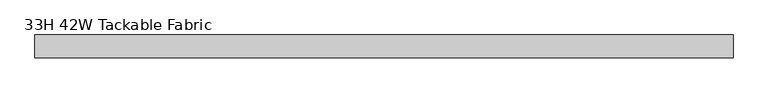
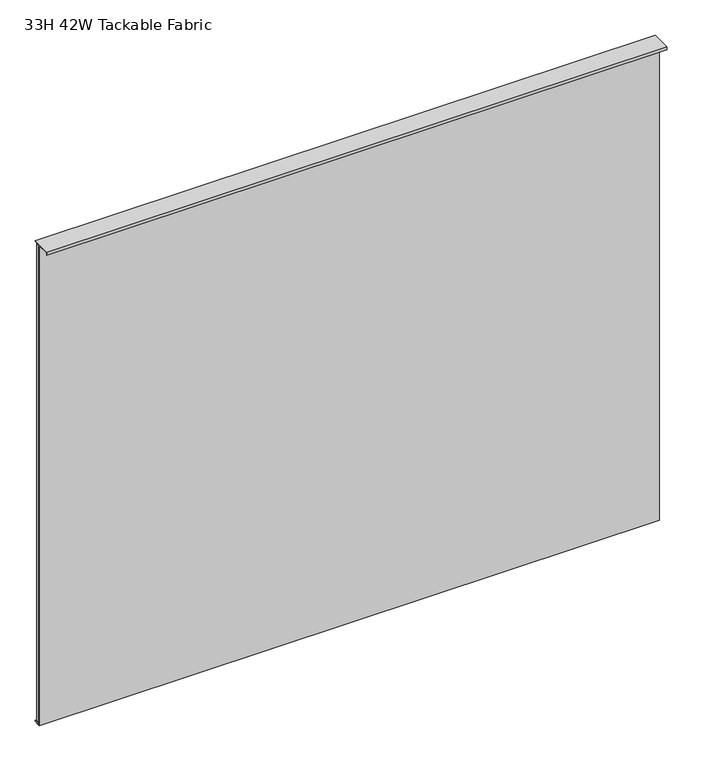
"""IFC4 building model written with IfcOpenShell, lengths in millimetres: furniture geometry, 33H 42W Tackable Fabric."""

from ifc_helpers import new_model, si_unit, frame, origin, place, context, project, spatial, polyline, outline, extrude, source, transform, mapped, element, save


def furniture_33h_42w_tackable_fabric_66aed74c(model_context):
    return source(origin(), model_context, "Body", "SweptSolid", [
        extrude(outline(polyline([(-21.30298, 1526.921), (12.22502, 1526.921), (12.22502, 1525.397), (1.524, 1525.397), (1.524, 691.44642), (12.22502, 691.44642), (12.22502, 689.92242), (0.0, 689.92242), (0.0, 1525.397), (-20.574, 1525.397), (-20.574, 1521.333), (-21.30298, 1521.333), (-21.30298, 1526.921)])), frame((0.0, 0.0, 0.0), z_axis=(1.0, 0.0, 0.0), x_axis=(0.0, 1.0, 0.0)), (0.0, 0.0, 1.0), 1021.842),
        extrude(outline(polyline([(1020.318, 10.7315), (1020.318, 3.1115), (1.524, 3.1115), (1.524, 10.7315), (1020.318, 10.7315)])), frame((0.0, 0.0, 691.44642), z_axis=(0.0, 0.0, 1.0), x_axis=(1.0, 0.0, 0.0)), (0.0, 0.0, 1.0), 830.8848),
    ])


if __name__ == "__main__":
    model = new_model("IFC4")
    model_context = context("Model", 3, world=origin())
    ifc_project = project(units=[si_unit("LENGTHUNIT", "METRE", prefix="MILLI")], contexts=[model_context])
    site = spatial("IfcSite", under=ifc_project)
    building = spatial("IfcBuilding", under=site)
    placement = place(None, origin())
    furniture_33h_42w_tackable_fabric_shape = furniture_33h_42w_tackable_fabric_66aed74c(model_context)
    element("IfcFurniture", 1, ObjectType="33H 42W Tackable Fabric", at=placement, inside=building, context=model_context, shape_type="MappedRepresentation", body=[
        mapped(furniture_33h_42w_tackable_fabric_shape, transform((0.0, 0.0, 0.0), x_axis=(1.0, 0.0, 0.0), y_axis=(0.0, 1.0, 0.0), z_axis=(0.0, 0.0, 1.0))),
    ])
    save(model, "model.ifc")
